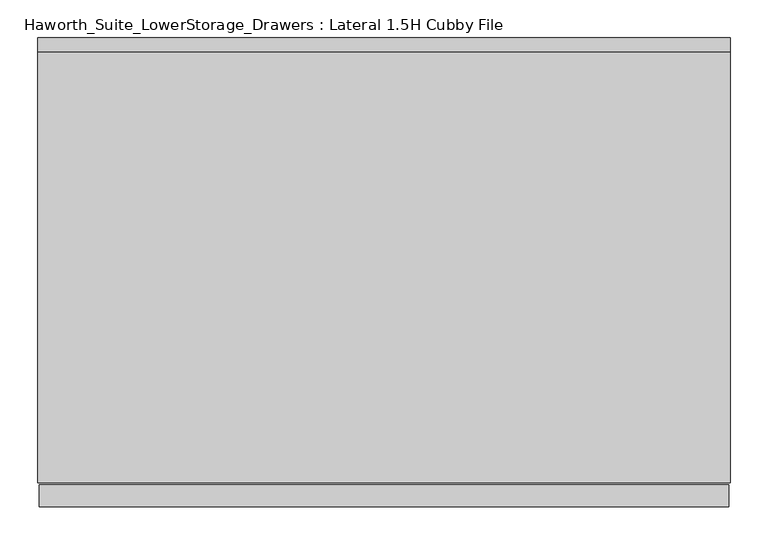
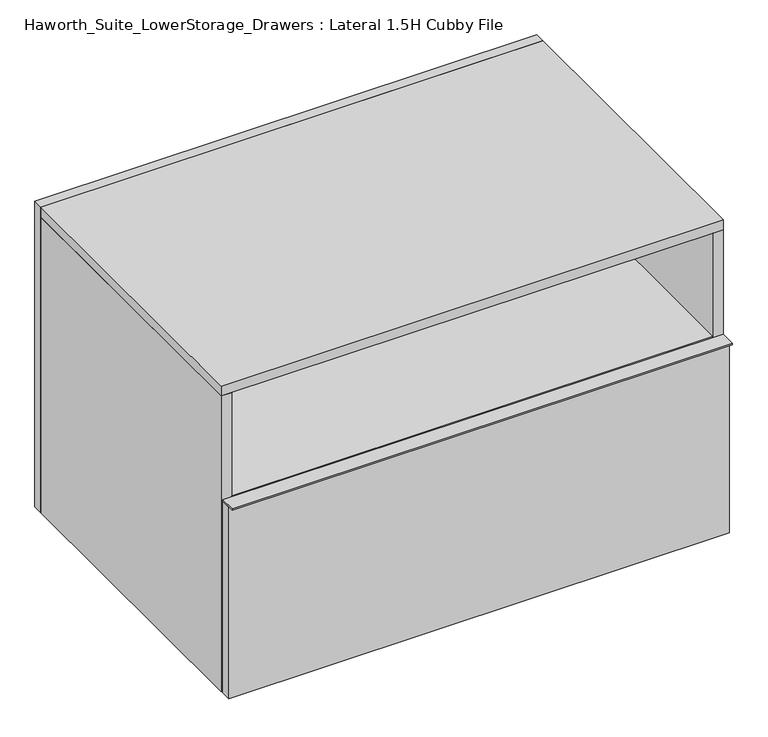
"""IFC4 building model written with IfcOpenShell, lengths in millimetres: furniture geometry, Haworth_Suite_LowerStorage_Drawers : Lateral 1.5H Cubby File."""

from ifc_helpers import new_model, si_unit, point, frame, frame_2d, origin, origin_with_axes, place, context, project, spatial, polyline, circle_curve, trimmed, segment, composite_curve, outline, extrude, source, transform, mapped, element, save


def haworth_suite_lowerstorage_drawers_lateral_1_5h_cubby_file_091050da(model_context):
    return source(origin(), model_context, "Body", "SweptSolid", [
        extrude(outline(polyline([(442.9125, -631.825), (-468.3125, -631.825), (-468.3125, -603.25), (442.9125, -603.25), (442.9125, -631.825)])), frame((0.0, 0.0, 368.3), z_axis=(0.0, 0.0, 1.0), x_axis=(1.0, 0.0, 0.0)), (0.0, 0.0, 1.0), 3.175),
        extrude(outline(polyline([(442.9125, -603.25), (442.9125, -622.3), (-468.3125, -622.3), (-468.3125, -603.25), (442.9125, -603.25)])), origin_with_axes(), (0.0, 0.0, 1.0), 368.3),
        extrude(outline(polyline([(406.4, -587.375), (406.4, -206.375), (419.1, -206.375), (419.1, -587.375), (406.4, -587.375)])), frame((0.0, 0.0, 50.8), z_axis=(0.0, 0.0, 1.0), x_axis=(1.0, 0.0, 0.0)), (0.0, 0.0, 1.0), 254.0),
        extrude(outline(polyline([(-444.5, -206.375), (-431.8, -206.375), (-431.8, -587.375), (-444.5, -587.375), (-444.5, -206.375)])), frame((0.0, 0.0, 50.8), z_axis=(0.0, 0.0, 1.0), x_axis=(1.0, 0.0, 0.0)), (0.0, 0.0, 1.0), 254.0),
        extrude(outline(polyline([(-444.5, -206.375), (-444.5, -193.675), (419.1, -193.675), (419.1, -206.375), (-444.5, -206.375)])), frame((0.0, 0.0, 50.8), z_axis=(0.0, 0.0, 1.0), x_axis=(1.0, 0.0, 0.0)), (0.0, 0.0, 1.0), 254.0),
        extrude(outline(polyline([(-444.5, -600.075), (-444.5, -587.375), (419.1, -587.375), (419.1, -600.075), (-444.5, -600.075)])), frame((0.0, 0.0, 50.8), z_axis=(0.0, 0.0, 1.0), x_axis=(1.0, 0.0, 0.0)), (0.0, 0.0, 1.0), 254.0),
        extrude(outline(polyline([(-431.8, -587.375), (-431.8, -206.375), (406.4, -206.375), (406.4, -587.375), (-431.8, -587.375)])), frame((0.0, 0.0, 50.8), z_axis=(0.0, 0.0, 1.0), x_axis=(1.0, 0.0, 0.0)), (0.0, 0.0, 1.0), 12.7),
        extrude(outline(polyline([(425.45, -152.4), (425.45, -600.075), (-450.85, -600.075), (-450.85, -152.4), (425.45, -152.4)])), frame((0.0, 0.0, 352.425), z_axis=(0.0, 0.0, 1.0), x_axis=(1.0, 0.0, 0.0)), (0.0, 0.0, 1.0), 19.05),
        extrude(outline(polyline([(444.5, -31.75), (444.5, -600.075), (-469.9, -600.075), (-469.9, -31.75), (444.5, -31.75)])), frame((0.0, 0.0, 569.9125), z_axis=(0.0, 0.0, 1.0), x_axis=(1.0, 0.0, 0.0)), (0.0, 0.0, 1.0), 19.05),
        extrude(outline(polyline([(550.8625, 425.45), (550.8625, -450.85), (38.1, -450.85), (38.1, 425.45), (550.8625, 425.45)]), holes=[composite_curve([segment(trimmed(circle_curve(frame_2d((511.175, -12.7)), 23.8125), [point((511.175, 11.1125))], [point((511.175, -36.5125))], True, "CARTESIAN"), True, "CONTINUOUS"), segment(trimmed(circle_curve(frame_2d((511.175, -12.7)), 23.8125), [point((511.175, -36.5125))], [point((511.175, 11.1125))], True, "CARTESIAN"), True, "CONTINUOUS")], self_intersect=False)]), frame((0.0, -152.4, 0.0), z_axis=(0.0, 1.0, 0.0), x_axis=(0.0, 0.0, 1.0)), (0.0, 0.0, 1.0), 19.05),
        extrude(outline(polyline([(444.5, -12.7), (444.5, -31.75), (-469.9, -31.75), (-469.9, -12.7), (444.5, -12.7)])), origin_with_axes(), (0.0, 0.0, 1.0), 588.9625),
        extrude(outline(polyline([(425.45, -133.35), (425.45, -501.65), (-450.85, -501.65), (-450.85, -133.35), (425.45, -133.35)])), frame((0.0, 0.0, 550.8625), z_axis=(0.0, 0.0, 1.0), x_axis=(1.0, 0.0, 0.0)), (0.0, 0.0, 1.0), 19.05),
        extrude(outline(polyline([(425.45, -31.75), (425.45, -600.075), (-450.85, -600.075), (-450.85, -31.75), (425.45, -31.75)])), origin_with_axes(), (0.0, 0.0, 1.0), 38.1),
        extrude(outline(polyline([(-450.85, -31.75), (-450.85, -600.075), (-469.9, -600.075), (-469.9, -31.75), (-450.85, -31.75)])), origin_with_axes(), (0.0, 0.0, 1.0), 569.9125),
        extrude(outline(polyline([(444.5, -600.075), (425.45, -600.075), (425.45, -31.75), (444.5, -31.75), (444.5, -600.075)])), origin_with_axes(), (0.0, 0.0, 1.0), 569.9125),
    ])


if __name__ == "__main__":
    model = new_model("IFC4")
    model_context = context("Model", 3, world=origin())
    ifc_project = project(units=[si_unit("LENGTHUNIT", "METRE", prefix="MILLI")], contexts=[model_context])
    site = spatial("IfcSite", under=ifc_project)
    building = spatial("IfcBuilding", under=site)
    placement = place(None, origin())
    haworth_suite_lowerstorage_drawers_lateral_1_5h_cubby_file_shape = haworth_suite_lowerstorage_drawers_lateral_1_5h_cubby_file_091050da(model_context)
    element("IfcFurniture", 1, ObjectType="Haworth_Suite_LowerStorage_Drawers : Lateral 1.5H Cubby File", at=placement, inside=building, context=model_context, shape_type="MappedRepresentation", body=[
        mapped(haworth_suite_lowerstorage_drawers_lateral_1_5h_cubby_file_shape, transform((0.0, 0.0, 0.0), x_axis=(1.0, 0.0, 0.0), y_axis=(0.0, 1.0, 0.0), z_axis=(0.0, 0.0, 1.0))),
    ])
    save(model, "model.ifc")
